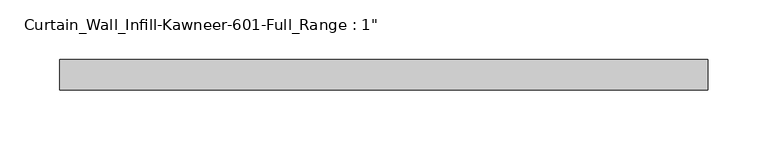
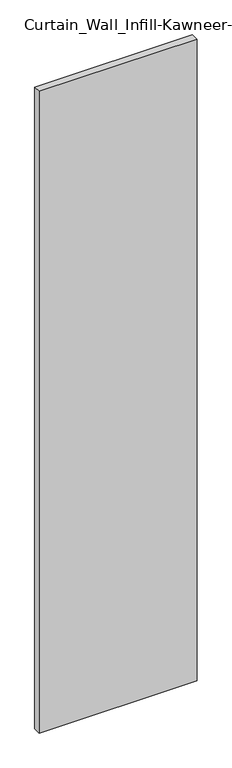
"""IFC4 building model written with IfcOpenShell, lengths in millimetres: plate geometry."""

from ifc_helpers import new_model, si_unit, origin, origin_with_axes, place, context, project, spatial, polyline, outline, extrude, source, transform, mapped, element, save


def plate_b7d35b44(model_context):
    return source(origin(), model_context, "Body", "SweptSolid", [
        extrude(outline(polyline([(-271.4625, 12.7), (271.4625, 12.7), (271.4625, -12.7), (-271.4625, -12.7), (-271.4625, 12.7)])), origin_with_axes(), (0.0, 0.0, 1.0), 2330.45),
    ])


if __name__ == "__main__":
    model = new_model("IFC4")
    model_context = context("Model", 3, world=origin())
    ifc_project = project(units=[si_unit("LENGTHUNIT", "METRE", prefix="MILLI")], contexts=[model_context])
    site = spatial("IfcSite", under=ifc_project)
    building = spatial("IfcBuilding", under=site)
    placement = place(None, origin())
    plate_shape = plate_b7d35b44(model_context)
    element("IfcPlate", 1, ObjectType="Curtain_Wall_Infill-Kawneer-601-Full_Range : 1\"", at=placement, inside=building, context=model_context, shape_type="MappedRepresentation", body=[
        mapped(plate_shape, transform((0.0, 0.0, 0.0), x_axis=(1.0, 0.0, 0.0), y_axis=(0.0, 1.0, 0.0), z_axis=(0.0, 0.0, 1.0))),
    ])
    save(model, "model.ifc")
